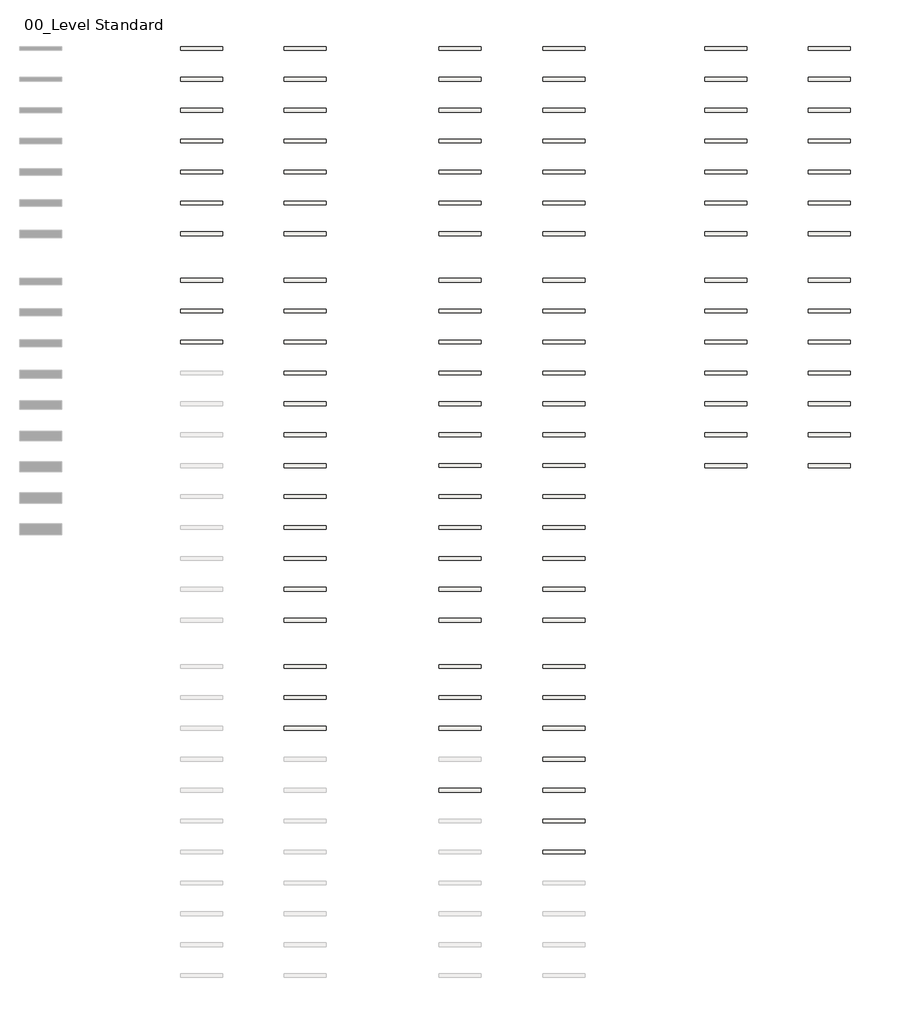
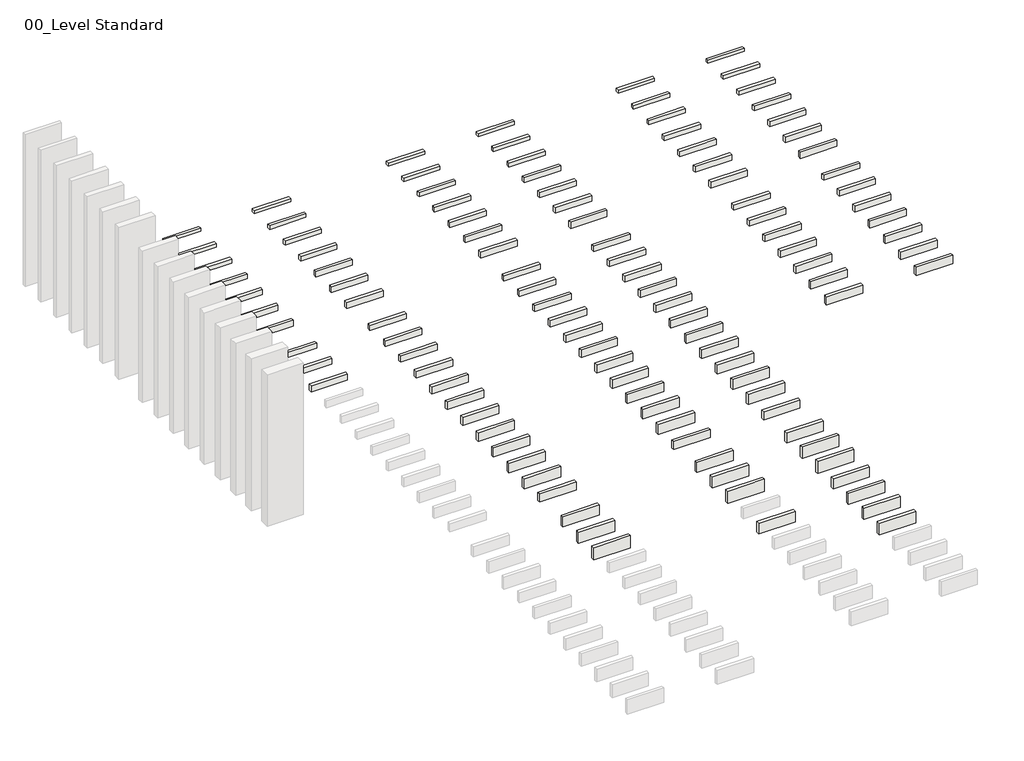
# One storey, part 2 of 2: 60 slabs, 49 roofs.
"""IFC4 building model written with IfcOpenShell, lengths in millimetres."""

from ifc_helpers import new_model, si_unit, frame, origin, origin_with_axes, place, context, project, spatial, polyline, outline, extrude, element, save

model = new_model("IFC4")

# Units and contexts
model_context = context("Model", 3, world=origin())
ifc_project = project(units=[si_unit("LENGTHUNIT", "METRE", prefix="MILLI")], contexts=[model_context])

# Site, building, storey
site = spatial("IfcSite", under=ifc_project)
building = spatial("IfcBuilding", under=site)
storey = spatial("IfcBuildingStorey", under=building, Name="00_Level Standard", Elevation=0.0)

# Roofs
placement = place(None, origin())
element("IfcRoof", 1, at=placement, inside=storey, context=model_context, shape_type="SweptSolid", body=[
    extrude(outline(polyline([(11196.5117268, 13246.5708866), (11876.5117268, 13246.5708866), (11876.5117268, 13186.5708866), (11196.5117268, 13186.5708866), (11196.5117268, 13246.5708866)])), origin_with_axes(), (0.0, 0.0, 1.0), 60.0),
])
element("IfcRoof", 2, at=placement, inside=storey, context=model_context, shape_type="SweptSolid", body=[
    extrude(outline(polyline([(11196.5117268, 12746.5708866), (11876.5117268, 12746.5708866), (11876.5117268, 12686.5708866), (11196.5117268, 12686.5708866), (11196.5117268, 12746.5708866)])), origin_with_axes(), (0.0, 0.0, 1.0), 70.0),
])
element("IfcRoof", 3, at=placement, inside=storey, context=model_context, shape_type="SweptSolid", body=[
    extrude(outline(polyline([(11196.5117268, 12246.5708866), (11876.5117268, 12246.5708866), (11876.5117268, 12186.5708866), (11196.5117268, 12186.5708866), (11196.5117268, 12246.5708866)])), origin_with_axes(), (0.0, 0.0, 1.0), 80.0),
])
element("IfcRoof", 4, at=placement, inside=storey, context=model_context, shape_type="SweptSolid", body=[
    extrude(outline(polyline([(11196.5117268, 11746.5708866), (11876.5117268, 11746.5708866), (11876.5117268, 11686.5708866), (11196.5117268, 11686.5708866), (11196.5117268, 11746.5708866)])), origin_with_axes(), (0.0, 0.0, 1.0), 90.0),
])
element("IfcRoof", 5, at=placement, inside=storey, context=model_context, shape_type="SweptSolid", body=[
    extrude(outline(polyline([(11196.5117268, 11246.5708866), (11876.5117268, 11246.5708866), (11876.5117268, 11186.5708866), (11196.5117268, 11186.5708866), (11196.5117268, 11246.5708866)])), origin_with_axes(), (0.0, 0.0, 1.0), 100.0),
])
element("IfcRoof", 6, at=placement, inside=storey, context=model_context, shape_type="SweptSolid", body=[
    extrude(outline(polyline([(11196.5117268, 10746.5708866), (11876.5117268, 10746.5708866), (11876.5117268, 10686.5708866), (11196.5117268, 10686.5708866), (11196.5117268, 10746.5708866)])), origin_with_axes(), (0.0, 0.0, 1.0), 110.0),
])
element("IfcRoof", 7, at=placement, inside=storey, context=model_context, shape_type="SweptSolid", body=[
    extrude(outline(polyline([(11196.5117268, 10246.5708866), (11876.5117268, 10246.5708866), (11876.5117268, 10186.5708866), (11196.5117268, 10186.5708866), (11196.5117268, 10246.5708866)])), origin_with_axes(), (0.0, 0.0, 1.0), 120.0),
])
element("IfcRoof", 8, at=placement, inside=storey, context=model_context, shape_type="SweptSolid", body=[
    extrude(outline(polyline([(11196.5117268, 9496.5463096), (11876.5117268, 9496.5463096), (11876.5117268, 9436.5463096), (11196.5117268, 9436.5463096), (11196.5117268, 9496.5463096)])), origin_with_axes(), (0.0, 0.0, 1.0), 100.0),
])
element("IfcRoof", 9, at=placement, inside=storey, context=model_context, shape_type="SweptSolid", body=[
    extrude(outline(polyline([(11196.5117268, 8996.5463096), (11876.5117268, 8996.5463096), (11876.5117268, 8936.5463096), (11196.5117268, 8936.5463096), (11196.5117268, 8996.5463096)])), origin_with_axes(), (0.0, 0.0, 1.0), 110.0),
])
element("IfcRoof", 10, at=placement, inside=storey, context=model_context, shape_type="SweptSolid", body=[
    extrude(outline(polyline([(11196.5117268, 8496.5463096), (11876.5117268, 8496.5463096), (11876.5117268, 8436.5463096), (11196.5117268, 8436.5463096), (11196.5117268, 8496.5463096)])), origin_with_axes(), (0.0, 0.0, 1.0), 120.0),
])
element("IfcRoof", 11, at=placement, inside=storey, context=model_context, shape_type="SweptSolid", body=[
    extrude(outline(polyline([(11196.5117268, 7996.5463096), (11876.5117268, 7996.5463096), (11876.5117268, 7936.5463096), (11196.5117268, 7936.5463096), (11196.5117268, 7996.5463096)])), origin_with_axes(), (0.0, 0.0, 1.0), 130.0),
])
element("IfcRoof", 12, at=placement, inside=storey, context=model_context, shape_type="SweptSolid", body=[
    extrude(outline(polyline([(11196.5117268, 7496.5463096), (11876.5117268, 7496.5463096), (11876.5117268, 7436.5463096), (11196.5117268, 7436.5463096), (11196.5117268, 7496.5463096)])), origin_with_axes(), (0.0, 0.0, 1.0), 140.0),
])
element("IfcRoof", 13, at=placement, inside=storey, context=model_context, shape_type="SweptSolid", body=[
    extrude(outline(polyline([(11196.5117268, 6996.5463096), (11876.5117268, 6996.5463096), (11876.5117268, 6936.5463096), (11196.5117268, 6936.5463096), (11196.5117268, 6996.5463096)])), origin_with_axes(), (0.0, 0.0, 1.0), 150.0),
])
element("IfcRoof", 14, at=placement, inside=storey, context=model_context, shape_type="SweptSolid", body=[
    extrude(outline(polyline([(11196.5117268, 6496.5463096), (11876.5117268, 6496.5463096), (11876.5117268, 6436.5463096), (11196.5117268, 6436.5463096), (11196.5117268, 6496.5463096)])), origin_with_axes(), (0.0, 0.0, 1.0), 160.0),
])
element("IfcRoof", 15, at=placement, inside=storey, context=model_context, shape_type="SweptSolid", body=[
    extrude(outline(polyline([(11196.5117268, 5996.5463096), (11876.5117268, 5996.5463096), (11876.5117268, 5936.5463096), (11196.5117268, 5936.5463096), (11196.5117268, 5996.5463096)])), origin_with_axes(), (0.0, 0.0, 1.0), 170.0),
])
element("IfcRoof", 16, at=placement, inside=storey, context=model_context, shape_type="SweptSolid", body=[
    extrude(outline(polyline([(11196.5117268, 5496.5463096), (11876.5117268, 5496.5463096), (11876.5117268, 5436.5463096), (11196.5117268, 5436.5463096), (11196.5117268, 5496.5463096)])), origin_with_axes(), (0.0, 0.0, 1.0), 180.0),
])
element("IfcRoof", 17, at=placement, inside=storey, context=model_context, shape_type="SweptSolid", body=[
    extrude(outline(polyline([(11196.5117268, 4996.5463096), (11876.5117268, 4996.5463096), (11876.5117268, 4936.5463096), (11196.5117268, 4936.5463096), (11196.5117268, 4996.5463096)])), origin_with_axes(), (0.0, 0.0, 1.0), 190.0),
])
element("IfcRoof", 18, at=placement, inside=storey, context=model_context, shape_type="SweptSolid", body=[
    extrude(outline(polyline([(11196.5117268, 4496.5463096), (11876.5117268, 4496.5463096), (11876.5117268, 4436.5463096), (11196.5117268, 4436.5463096), (11196.5117268, 4496.5463096)])), origin_with_axes(), (0.0, 0.0, 1.0), 200.0),
])
element("IfcRoof", 19, at=placement, inside=storey, context=model_context, shape_type="SweptSolid", body=[
    extrude(outline(polyline([(11196.5117268, 3996.5463096), (11876.5117268, 3996.5463096), (11876.5117268, 3936.5463096), (11196.5117268, 3936.5463096), (11196.5117268, 3996.5463096)])), origin_with_axes(), (0.0, 0.0, 1.0), 160.0),
])
element("IfcRoof", 20, at=placement, inside=storey, context=model_context, shape_type="SweptSolid", body=[
    extrude(outline(polyline([(11196.5117268, 3246.5217326), (11876.5117268, 3246.5217326), (11876.5117268, 3186.5217326), (11196.5117268, 3186.5217326), (11196.5117268, 3246.5217326)])), origin_with_axes(), (0.0, 0.0, 1.0), 200.0),
])
element("IfcRoof", 21, at=placement, inside=storey, context=model_context, shape_type="SweptSolid", body=[
    extrude(outline(polyline([(11196.5117268, 2746.5217326), (11876.5117268, 2746.5217326), (11876.5117268, 2686.5217326), (11196.5117268, 2686.5217326), (11196.5117268, 2746.5217326)])), origin_with_axes(), (0.0, 0.0, 1.0), 220.0),
])
element("IfcRoof", 22, at=placement, inside=storey, context=model_context, shape_type="SweptSolid", body=[
    extrude(outline(polyline([(11196.5117268, 2246.5217326), (11876.5117268, 2246.5217326), (11876.5117268, 2186.5217326), (11196.5117268, 2186.5217326), (11196.5117268, 2246.5217326)])), origin_with_axes(), (0.0, 0.0, 1.0), 240.0),
])
element("IfcRoof", 23, at=placement, inside=storey, context=model_context, shape_type="SweptSolid", body=[
    extrude(outline(polyline([(11196.5117268, 1246.5217326), (11876.5117268, 1246.5217326), (11876.5117268, 1186.5217326), (11196.5117268, 1186.5217326), (11196.5117268, 1246.5217326)])), origin_with_axes(), (0.0, 0.0, 1.0), 210.0),
])
element("IfcRoof", 24, at=placement, inside=storey, context=model_context, shape_type="SweptSolid", body=[
    extrude(outline(polyline([(12876.5117268, 13246.5708866), (13556.5117268, 13246.5708866), (13556.5117268, 13186.5708866), (12876.5117268, 13186.5708866), (12876.5117268, 13246.5708866)])), origin_with_axes(), (0.0, 0.0, 1.0), 60.0),
])
element("IfcRoof", 25, at=placement, inside=storey, context=model_context, shape_type="SweptSolid", body=[
    extrude(outline(polyline([(12876.5117268, 12746.5708866), (13556.5117268, 12746.5708866), (13556.5117268, 12686.5708866), (12876.5117268, 12686.5708866), (12876.5117268, 12746.5708866)])), origin_with_axes(), (0.0, 0.0, 1.0), 70.0),
])
element("IfcRoof", 26, at=placement, inside=storey, context=model_context, shape_type="SweptSolid", body=[
    extrude(outline(polyline([(12876.5117268, 12246.5708866), (13556.5117268, 12246.5708866), (13556.5117268, 12186.5708866), (12876.5117268, 12186.5708866), (12876.5117268, 12246.5708866)])), origin_with_axes(), (0.0, 0.0, 1.0), 80.0),
])
element("IfcRoof", 27, at=placement, inside=storey, context=model_context, shape_type="SweptSolid", body=[
    extrude(outline(polyline([(12876.5117268, 11746.5708866), (13556.5117268, 11746.5708866), (13556.5117268, 11686.5708866), (12876.5117268, 11686.5708866), (12876.5117268, 11746.5708866)])), origin_with_axes(), (0.0, 0.0, 1.0), 90.0),
])
element("IfcRoof", 28, at=placement, inside=storey, context=model_context, shape_type="SweptSolid", body=[
    extrude(outline(polyline([(12876.5117268, 11246.5708866), (13556.5117268, 11246.5708866), (13556.5117268, 11186.5708866), (12876.5117268, 11186.5708866), (12876.5117268, 11246.5708866)])), origin_with_axes(), (0.0, 0.0, 1.0), 100.0),
])
element("IfcRoof", 29, at=placement, inside=storey, context=model_context, shape_type="SweptSolid", body=[
    extrude(outline(polyline([(12876.5117268, 10746.5708866), (13556.5117268, 10746.5708866), (13556.5117268, 10686.5708866), (12876.5117268, 10686.5708866), (12876.5117268, 10746.5708866)])), origin_with_axes(), (0.0, 0.0, 1.0), 110.0),
])
element("IfcRoof", 30, at=placement, inside=storey, context=model_context, shape_type="SweptSolid", body=[
    extrude(outline(polyline([(12876.5117268, 10246.5708866), (13556.5117268, 10246.5708866), (13556.5117268, 10186.5708866), (12876.5117268, 10186.5708866), (12876.5117268, 10246.5708866)])), origin_with_axes(), (0.0, 0.0, 1.0), 120.0),
])
element("IfcRoof", 31, at=placement, inside=storey, context=model_context, shape_type="SweptSolid", body=[
    extrude(outline(polyline([(12876.5117268, 9496.5463096), (13556.5117268, 9496.5463096), (13556.5117268, 9436.5463096), (12876.5117268, 9436.5463096), (12876.5117268, 9496.5463096)])), origin_with_axes(), (0.0, 0.0, 1.0), 100.0),
])
element("IfcRoof", 32, at=placement, inside=storey, context=model_context, shape_type="SweptSolid", body=[
    extrude(outline(polyline([(12876.5117268, 8996.5463096), (13556.5117268, 8996.5463096), (13556.5117268, 8936.5463096), (12876.5117268, 8936.5463096), (12876.5117268, 8996.5463096)])), origin_with_axes(), (0.0, 0.0, 1.0), 110.0),
])
element("IfcRoof", 33, at=placement, inside=storey, context=model_context, shape_type="SweptSolid", body=[
    extrude(outline(polyline([(12876.5117268, 8496.5463096), (13556.5117268, 8496.5463096), (13556.5117268, 8436.5463096), (12876.5117268, 8436.5463096), (12876.5117268, 8496.5463096)])), origin_with_axes(), (0.0, 0.0, 1.0), 120.0),
])
element("IfcRoof", 34, at=placement, inside=storey, context=model_context, shape_type="SweptSolid", body=[
    extrude(outline(polyline([(12876.5117268, 7996.5463096), (13556.5117268, 7996.5463096), (13556.5117268, 7936.5463096), (12876.5117268, 7936.5463096), (12876.5117268, 7996.5463096)])), origin_with_axes(), (0.0, 0.0, 1.0), 130.0),
])
element("IfcRoof", 35, at=placement, inside=storey, context=model_context, shape_type="SweptSolid", body=[
    extrude(outline(polyline([(12876.5117268, 7496.5463096), (13556.5117268, 7496.5463096), (13556.5117268, 7436.5463096), (12876.5117268, 7436.5463096), (12876.5117268, 7496.5463096)])), origin_with_axes(), (0.0, 0.0, 1.0), 140.0),
])
element("IfcRoof", 36, at=placement, inside=storey, context=model_context, shape_type="SweptSolid", body=[
    extrude(outline(polyline([(12876.5117268, 6996.5463096), (13556.5117268, 6996.5463096), (13556.5117268, 6936.5463096), (12876.5117268, 6936.5463096), (12876.5117268, 6996.5463096)])), origin_with_axes(), (0.0, 0.0, 1.0), 150.0),
])
element("IfcRoof", 37, at=placement, inside=storey, context=model_context, shape_type="SweptSolid", body=[
    extrude(outline(polyline([(12876.5117268, 6496.5463096), (13556.5117268, 6496.5463096), (13556.5117268, 6436.5463096), (12876.5117268, 6436.5463096), (12876.5117268, 6496.5463096)])), origin_with_axes(), (0.0, 0.0, 1.0), 160.0),
])
element("IfcRoof", 38, at=placement, inside=storey, context=model_context, shape_type="SweptSolid", body=[
    extrude(outline(polyline([(12876.5117268, 5996.5463096), (13556.5117268, 5996.5463096), (13556.5117268, 5936.5463096), (12876.5117268, 5936.5463096), (12876.5117268, 5996.5463096)])), origin_with_axes(), (0.0, 0.0, 1.0), 170.0),
])
element("IfcRoof", 39, at=placement, inside=storey, context=model_context, shape_type="SweptSolid", body=[
    extrude(outline(polyline([(12876.5117268, 5496.5463096), (13556.5117268, 5496.5463096), (13556.5117268, 5436.5463096), (12876.5117268, 5436.5463096), (12876.5117268, 5496.5463096)])), origin_with_axes(), (0.0, 0.0, 1.0), 180.0),
])
element("IfcRoof", 40, at=placement, inside=storey, context=model_context, shape_type="SweptSolid", body=[
    extrude(outline(polyline([(12876.5117268, 4996.5463096), (13556.5117268, 4996.5463096), (13556.5117268, 4936.5463096), (12876.5117268, 4936.5463096), (12876.5117268, 4996.5463096)])), origin_with_axes(), (0.0, 0.0, 1.0), 190.0),
])
element("IfcRoof", 41, at=placement, inside=storey, context=model_context, shape_type="SweptSolid", body=[
    extrude(outline(polyline([(12876.5117268, 4496.5463096), (13556.5117268, 4496.5463096), (13556.5117268, 4436.5463096), (12876.5117268, 4436.5463096), (12876.5117268, 4496.5463096)])), origin_with_axes(), (0.0, 0.0, 1.0), 200.0),
])
element("IfcRoof", 42, at=placement, inside=storey, context=model_context, shape_type="SweptSolid", body=[
    extrude(outline(polyline([(12876.5117268, 3996.5463096), (13556.5117268, 3996.5463096), (13556.5117268, 3936.5463096), (12876.5117268, 3936.5463096), (12876.5117268, 3996.5463096)])), origin_with_axes(), (0.0, 0.0, 1.0), 160.0),
])
element("IfcRoof", 43, at=placement, inside=storey, context=model_context, shape_type="SweptSolid", body=[
    extrude(outline(polyline([(12876.5117268, 3246.5217326), (13556.5117268, 3246.5217326), (13556.5117268, 3186.5217326), (12876.5117268, 3186.5217326), (12876.5117268, 3246.5217326)])), origin_with_axes(), (0.0, 0.0, 1.0), 200.0),
])
element("IfcRoof", 44, at=placement, inside=storey, context=model_context, shape_type="SweptSolid", body=[
    extrude(outline(polyline([(12876.5117268, 2746.5217326), (13556.5117268, 2746.5217326), (13556.5117268, 2686.5217326), (12876.5117268, 2686.5217326), (12876.5117268, 2746.5217326)])), origin_with_axes(), (0.0, 0.0, 1.0), 220.0),
])
element("IfcRoof", 45, at=placement, inside=storey, context=model_context, shape_type="SweptSolid", body=[
    extrude(outline(polyline([(12876.5117268, 2246.5217326), (13556.5117268, 2246.5217326), (13556.5117268, 2186.5217326), (12876.5117268, 2186.5217326), (12876.5117268, 2246.5217326)])), origin_with_axes(), (0.0, 0.0, 1.0), 240.0),
])
element("IfcRoof", 46, at=placement, inside=storey, context=model_context, shape_type="SweptSolid", body=[
    extrude(outline(polyline([(12876.5117268, 1746.5217326), (13556.5117268, 1746.5217326), (13556.5117268, 1686.5217326), (12876.5117268, 1686.5217326), (12876.5117268, 1746.5217326)])), origin_with_axes(), (0.0, 0.0, 1.0), 200.0),
])
element("IfcRoof", 47, at=placement, inside=storey, context=model_context, shape_type="SweptSolid", body=[
    extrude(outline(polyline([(12876.5117268, 1246.5217326), (13556.5117268, 1246.5217326), (13556.5117268, 1186.5217326), (12876.5117268, 1186.5217326), (12876.5117268, 1246.5217326)])), origin_with_axes(), (0.0, 0.0, 1.0), 210.0),
])
element("IfcRoof", 48, at=placement, inside=storey, context=model_context, shape_type="SweptSolid", body=[
    extrude(outline(polyline([(12876.5117268, 746.5217326), (13556.5117268, 746.5217326), (13556.5117268, 686.5217326), (12876.5117268, 686.5217326), (12876.5117268, 746.5217326)])), origin_with_axes(), (0.0, 0.0, 1.0), 220.0),
])
element("IfcRoof", 49, at=placement, inside=storey, context=model_context, shape_type="SweptSolid", body=[
    extrude(outline(polyline([(12876.5117268, 246.5217326), (13556.5117268, 246.5217326), (13556.5117268, 186.5217326), (12876.5117268, 186.5217326), (12876.5117268, 246.5217326)])), origin_with_axes(), (0.0, 0.0, 1.0), 230.0),
])

# Slabs
element("IfcSlab", 50, at=placement, inside=storey, context=model_context, shape_type="SweptSolid", body=[
    extrude(outline(polyline([(7010.9873688, 13246.5708866), (7690.9873688, 13246.5708866), (7690.9873688, 13186.5708866), (7010.9873688, 13186.5708866), (7010.9873688, 13246.5708866)])), frame((0.0, 0.0, -60.0), z_axis=(0.0, 0.0, 1.0), x_axis=(1.0, 0.0, 0.0)), (0.0, 0.0, 1.0), 60.0),
])
element("IfcSlab", 51, at=placement, inside=storey, context=model_context, shape_type="SweptSolid", body=[
    extrude(outline(polyline([(7010.9873688, 12746.5708866), (7690.9873688, 12746.5708866), (7690.9873688, 12686.5708866), (7010.9873688, 12686.5708866), (7010.9873688, 12746.5708866)])), frame((0.0, 0.0, -70.0), z_axis=(0.0, 0.0, 1.0), x_axis=(1.0, 0.0, 0.0)), (0.0, 0.0, 1.0), 70.0),
])
element("IfcSlab", 52, at=placement, inside=storey, context=model_context, shape_type="SweptSolid", body=[
    extrude(outline(polyline([(7010.9873688, 12246.5708866), (7690.9873688, 12246.5708866), (7690.9873688, 12186.5708866), (7010.9873688, 12186.5708866), (7010.9873688, 12246.5708866)])), frame((0.0, 0.0, -80.0), z_axis=(0.0, 0.0, 1.0), x_axis=(1.0, 0.0, 0.0)), (0.0, 0.0, 1.0), 80.0),
])
element("IfcSlab", 53, at=placement, inside=storey, context=model_context, shape_type="SweptSolid", body=[
    extrude(outline(polyline([(7010.9873688, 11746.5708866), (7690.9873688, 11746.5708866), (7690.9873688, 11686.5708866), (7010.9873688, 11686.5708866), (7010.9873688, 11746.5708866)])), frame((0.0, 0.0, -90.0), z_axis=(0.0, 0.0, 1.0), x_axis=(1.0, 0.0, 0.0)), (0.0, 0.0, 1.0), 90.0),
])
element("IfcSlab", 54, at=placement, inside=storey, context=model_context, shape_type="SweptSolid", body=[
    extrude(outline(polyline([(7010.9873688, 11246.5708866), (7690.9873688, 11246.5708866), (7690.9873688, 11186.5708866), (7010.9873688, 11186.5708866), (7010.9873688, 11246.5708866)])), frame((0.0, 0.0, -100.0), z_axis=(0.0, 0.0, 1.0), x_axis=(1.0, 0.0, 0.0)), (0.0, 0.0, 1.0), 100.0),
])
element("IfcSlab", 55, at=placement, inside=storey, context=model_context, shape_type="SweptSolid", body=[
    extrude(outline(polyline([(7010.9873688, 10746.5708866), (7690.9873688, 10746.5708866), (7690.9873688, 10686.5708866), (7010.9873688, 10686.5708866), (7010.9873688, 10746.5708866)])), frame((0.0, 0.0, -110.0), z_axis=(0.0, 0.0, 1.0), x_axis=(1.0, 0.0, 0.0)), (0.0, 0.0, 1.0), 110.0),
])
element("IfcSlab", 56, at=placement, inside=storey, context=model_context, shape_type="SweptSolid", body=[
    extrude(outline(polyline([(7010.9873688, 10246.5708866), (7690.9873688, 10246.5708866), (7690.9873688, 10186.5708866), (7010.9873688, 10186.5708866), (7010.9873688, 10246.5708866)])), frame((0.0, 0.0, -120.0), z_axis=(0.0, 0.0, 1.0), x_axis=(1.0, 0.0, 0.0)), (0.0, 0.0, 1.0), 120.0),
])
element("IfcSlab", 57, at=placement, inside=storey, context=model_context, shape_type="SweptSolid", body=[
    extrude(outline(polyline([(7010.9873688, 9496.5463096), (7690.9873688, 9496.5463096), (7690.9873688, 9436.5463096), (7010.9873688, 9436.5463096), (7010.9873688, 9496.5463096)])), frame((0.0, 0.0, -100.0), z_axis=(0.0, 0.0, 1.0), x_axis=(1.0, 0.0, 0.0)), (0.0, 0.0, 1.0), 100.0),
])
element("IfcSlab", 58, at=placement, inside=storey, context=model_context, shape_type="SweptSolid", body=[
    extrude(outline(polyline([(7010.9873688, 8996.5463096), (7690.9873688, 8996.5463096), (7690.9873688, 8936.5463096), (7010.9873688, 8936.5463096), (7010.9873688, 8996.5463096)])), frame((0.0, 0.0, -110.0), z_axis=(0.0, 0.0, 1.0), x_axis=(1.0, 0.0, 0.0)), (0.0, 0.0, 1.0), 110.0),
])
element("IfcSlab", 59, at=placement, inside=storey, context=model_context, shape_type="SweptSolid", body=[
    extrude(outline(polyline([(7010.9873688, 8496.5463096), (7690.9873688, 8496.5463096), (7690.9873688, 8436.5463096), (7010.9873688, 8436.5463096), (7010.9873688, 8496.5463096)])), frame((0.0, 0.0, -120.0), z_axis=(0.0, 0.0, 1.0), x_axis=(1.0, 0.0, 0.0)), (0.0, 0.0, 1.0), 120.0),
])
element("IfcSlab", 60, at=placement, inside=storey, context=model_context, shape_type="SweptSolid", body=[
    extrude(outline(polyline([(8690.9873688, 13246.5708866), (9370.9873688, 13246.5708866), (9370.9873688, 13186.5708866), (8690.9873688, 13186.5708866), (8690.9873688, 13246.5708866)])), frame((0.0, 0.0, -60.0), z_axis=(0.0, 0.0, 1.0), x_axis=(1.0, 0.0, 0.0)), (0.0, 0.0, 1.0), 60.0),
])
element("IfcSlab", 61, at=placement, inside=storey, context=model_context, shape_type="SweptSolid", body=[
    extrude(outline(polyline([(8690.9873688, 12746.5708866), (9370.9873688, 12746.5708866), (9370.9873688, 12686.5708866), (8690.9873688, 12686.5708866), (8690.9873688, 12746.5708866)])), frame((0.0, 0.0, -70.0), z_axis=(0.0, 0.0, 1.0), x_axis=(1.0, 0.0, 0.0)), (0.0, 0.0, 1.0), 70.0),
])
element("IfcSlab", 62, at=placement, inside=storey, context=model_context, shape_type="SweptSolid", body=[
    extrude(outline(polyline([(8690.9873688, 12246.5708866), (9370.9873688, 12246.5708866), (9370.9873688, 12186.5708866), (8690.9873688, 12186.5708866), (8690.9873688, 12246.5708866)])), frame((0.0, 0.0, -80.0), z_axis=(0.0, 0.0, 1.0), x_axis=(1.0, 0.0, 0.0)), (0.0, 0.0, 1.0), 80.0),
])
element("IfcSlab", 63, at=placement, inside=storey, context=model_context, shape_type="SweptSolid", body=[
    extrude(outline(polyline([(8690.9873688, 11746.5708866), (9370.9873688, 11746.5708866), (9370.9873688, 11686.5708866), (8690.9873688, 11686.5708866), (8690.9873688, 11746.5708866)])), frame((0.0, 0.0, -90.0), z_axis=(0.0, 0.0, 1.0), x_axis=(1.0, 0.0, 0.0)), (0.0, 0.0, 1.0), 90.0),
])
element("IfcSlab", 64, at=placement, inside=storey, context=model_context, shape_type="SweptSolid", body=[
    extrude(outline(polyline([(8690.9873688, 11246.5708866), (9370.9873688, 11246.5708866), (9370.9873688, 11186.5708866), (8690.9873688, 11186.5708866), (8690.9873688, 11246.5708866)])), frame((0.0, 0.0, -100.0), z_axis=(0.0, 0.0, 1.0), x_axis=(1.0, 0.0, 0.0)), (0.0, 0.0, 1.0), 100.0),
])
element("IfcSlab", 65, at=placement, inside=storey, context=model_context, shape_type="SweptSolid", body=[
    extrude(outline(polyline([(8690.9873688, 10746.5708866), (9370.9873688, 10746.5708866), (9370.9873688, 10686.5708866), (8690.9873688, 10686.5708866), (8690.9873688, 10746.5708866)])), frame((0.0, 0.0, -110.0), z_axis=(0.0, 0.0, 1.0), x_axis=(1.0, 0.0, 0.0)), (0.0, 0.0, 1.0), 110.0),
])
element("IfcSlab", 66, at=placement, inside=storey, context=model_context, shape_type="SweptSolid", body=[
    extrude(outline(polyline([(8690.9873688, 10246.5708866), (9370.9873688, 10246.5708866), (9370.9873688, 10186.5708866), (8690.9873688, 10186.5708866), (8690.9873688, 10246.5708866)])), frame((0.0, 0.0, -120.0), z_axis=(0.0, 0.0, 1.0), x_axis=(1.0, 0.0, 0.0)), (0.0, 0.0, 1.0), 120.0),
])
element("IfcSlab", 67, at=placement, inside=storey, context=model_context, shape_type="SweptSolid", body=[
    extrude(outline(polyline([(8690.9873688, 9496.5463096), (9370.9873688, 9496.5463096), (9370.9873688, 9436.5463096), (8690.9873688, 9436.5463096), (8690.9873688, 9496.5463096)])), frame((0.0, 0.0, -100.0), z_axis=(0.0, 0.0, 1.0), x_axis=(1.0, 0.0, 0.0)), (0.0, 0.0, 1.0), 100.0),
])
element("IfcSlab", 68, at=placement, inside=storey, context=model_context, shape_type="SweptSolid", body=[
    extrude(outline(polyline([(8690.9873688, 8996.5463096), (9370.9873688, 8996.5463096), (9370.9873688, 8936.5463096), (8690.9873688, 8936.5463096), (8690.9873688, 8996.5463096)])), frame((0.0, 0.0, -110.0), z_axis=(0.0, 0.0, 1.0), x_axis=(1.0, 0.0, 0.0)), (0.0, 0.0, 1.0), 110.0),
])
element("IfcSlab", 69, at=placement, inside=storey, context=model_context, shape_type="SweptSolid", body=[
    extrude(outline(polyline([(8690.9873688, 8496.5463096), (9370.9873688, 8496.5463096), (9370.9873688, 8436.5463096), (8690.9873688, 8436.5463096), (8690.9873688, 8496.5463096)])), frame((0.0, 0.0, -120.0), z_axis=(0.0, 0.0, 1.0), x_axis=(1.0, 0.0, 0.0)), (0.0, 0.0, 1.0), 120.0),
])
element("IfcSlab", 70, at=placement, inside=storey, context=model_context, shape_type="SweptSolid", body=[
    extrude(outline(polyline([(8690.9873688, 7996.5463096), (9370.9873688, 7996.5463096), (9370.9873688, 7936.5463096), (8690.9873688, 7936.5463096), (8690.9873688, 7996.5463096)])), frame((0.0, 0.0, -130.0), z_axis=(0.0, 0.0, 1.0), x_axis=(1.0, 0.0, 0.0)), (0.0, 0.0, 1.0), 130.0),
])
element("IfcSlab", 71, at=placement, inside=storey, context=model_context, shape_type="SweptSolid", body=[
    extrude(outline(polyline([(8690.9873688, 7496.5463096), (9370.9873688, 7496.5463096), (9370.9873688, 7436.5463096), (8690.9873688, 7436.5463096), (8690.9873688, 7496.5463096)])), frame((0.0, 0.0, -140.0), z_axis=(0.0, 0.0, 1.0), x_axis=(1.0, 0.0, 0.0)), (0.0, 0.0, 1.0), 140.0),
])
element("IfcSlab", 72, at=placement, inside=storey, context=model_context, shape_type="SweptSolid", body=[
    extrude(outline(polyline([(8690.9873688, 6996.5463096), (9370.9873688, 6996.5463096), (9370.9873688, 6936.5463096), (8690.9873688, 6936.5463096), (8690.9873688, 6996.5463096)])), frame((0.0, 0.0, -150.0), z_axis=(0.0, 0.0, 1.0), x_axis=(1.0, 0.0, 0.0)), (0.0, 0.0, 1.0), 150.0),
])
element("IfcSlab", 73, at=placement, inside=storey, context=model_context, shape_type="SweptSolid", body=[
    extrude(outline(polyline([(8690.9873688, 6496.5463096), (9370.9873688, 6496.5463096), (9370.9873688, 6436.5463096), (8690.9873688, 6436.5463096), (8690.9873688, 6496.5463096)])), frame((0.0, 0.0, -160.0), z_axis=(0.0, 0.0, 1.0), x_axis=(1.0, 0.0, 0.0)), (0.0, 0.0, 1.0), 160.0),
])
element("IfcSlab", 74, at=placement, inside=storey, context=model_context, shape_type="SweptSolid", body=[
    extrude(outline(polyline([(8690.9873688, 5996.5463096), (9370.9873688, 5996.5463096), (9370.9873688, 5936.5463096), (8690.9873688, 5936.5463096), (8690.9873688, 5996.5463096)])), frame((0.0, 0.0, -170.0), z_axis=(0.0, 0.0, 1.0), x_axis=(1.0, 0.0, 0.0)), (0.0, 0.0, 1.0), 170.0),
])
element("IfcSlab", 75, at=placement, inside=storey, context=model_context, shape_type="SweptSolid", body=[
    extrude(outline(polyline([(8690.9873688, 5496.5463096), (9370.9873688, 5496.5463096), (9370.9873688, 5436.5463096), (8690.9873688, 5436.5463096), (8690.9873688, 5496.5463096)])), frame((0.0, 0.0, -180.0), z_axis=(0.0, 0.0, 1.0), x_axis=(1.0, 0.0, 0.0)), (0.0, 0.0, 1.0), 180.0),
])
element("IfcSlab", 76, at=placement, inside=storey, context=model_context, shape_type="SweptSolid", body=[
    extrude(outline(polyline([(8690.9873688, 4996.5463096), (9370.9873688, 4996.5463096), (9370.9873688, 4936.5463096), (8690.9873688, 4936.5463096), (8690.9873688, 4996.5463096)])), frame((0.0, 0.0, -190.0), z_axis=(0.0, 0.0, 1.0), x_axis=(1.0, 0.0, 0.0)), (0.0, 0.0, 1.0), 190.0),
])
element("IfcSlab", 77, at=placement, inside=storey, context=model_context, shape_type="SweptSolid", body=[
    extrude(outline(polyline([(8690.9873688, 4496.5463096), (9370.9873688, 4496.5463096), (9370.9873688, 4436.5463096), (8690.9873688, 4436.5463096), (8690.9873688, 4496.5463096)])), frame((0.0, 0.0, -200.0), z_axis=(0.0, 0.0, 1.0), x_axis=(1.0, 0.0, 0.0)), (0.0, 0.0, 1.0), 200.0),
])
element("IfcSlab", 78, at=placement, inside=storey, context=model_context, shape_type="SweptSolid", body=[
    extrude(outline(polyline([(8690.9873688, 3996.5463096), (9370.9873688, 3996.5463096), (9370.9873688, 3936.5463096), (8690.9873688, 3936.5463096), (8690.9873688, 3996.5463096)])), frame((0.0, 0.0, -160.0), z_axis=(0.0, 0.0, 1.0), x_axis=(1.0, 0.0, 0.0)), (0.0, 0.0, 1.0), 160.0),
])
element("IfcSlab", 79, at=placement, inside=storey, context=model_context, shape_type="SweptSolid", body=[
    extrude(outline(polyline([(8690.9873688, 3246.5217326), (9370.9873688, 3246.5217326), (9370.9873688, 3186.5217326), (8690.9873688, 3186.5217326), (8690.9873688, 3246.5217326)])), frame((0.0, 0.0, -200.0), z_axis=(0.0, 0.0, 1.0), x_axis=(1.0, 0.0, 0.0)), (0.0, 0.0, 1.0), 200.0),
])
element("IfcSlab", 80, at=placement, inside=storey, context=model_context, shape_type="SweptSolid", body=[
    extrude(outline(polyline([(8690.9873688, 2746.5217326), (9370.9873688, 2746.5217326), (9370.9873688, 2686.5217326), (8690.9873688, 2686.5217326), (8690.9873688, 2746.5217326)])), frame((0.0, 0.0, -220.0), z_axis=(0.0, 0.0, 1.0), x_axis=(1.0, 0.0, 0.0)), (0.0, 0.0, 1.0), 220.0),
])
element("IfcSlab", 81, at=placement, inside=storey, context=model_context, shape_type="SweptSolid", body=[
    extrude(outline(polyline([(8690.9873688, 2246.5217326), (9370.9873688, 2246.5217326), (9370.9873688, 2186.5217326), (8690.9873688, 2186.5217326), (8690.9873688, 2246.5217326)])), frame((0.0, 0.0, -240.0), z_axis=(0.0, 0.0, 1.0), x_axis=(1.0, 0.0, 0.0)), (0.0, 0.0, 1.0), 240.0),
])
element("IfcSlab", 82, at=placement, inside=storey, context=model_context, shape_type="SweptSolid", body=[
    extrude(outline(polyline([(15494.9702105, 13246.5708866), (16174.9702105, 13246.5708866), (16174.9702105, 13186.5708866), (15494.9702105, 13186.5708866), (15494.9702105, 13246.5708866)])), frame((0.0, 0.0, -60.0), z_axis=(0.0, 0.0, 1.0), x_axis=(1.0, 0.0, 0.0)), (0.0, 0.0, 1.0), 60.0),
])
element("IfcSlab", 83, at=placement, inside=storey, context=model_context, shape_type="SweptSolid", body=[
    extrude(outline(polyline([(15494.9702105, 12746.5708866), (16174.9702105, 12746.5708866), (16174.9702105, 12686.5708866), (15494.9702105, 12686.5708866), (15494.9702105, 12746.5708866)])), frame((0.0, 0.0, -70.0), z_axis=(0.0, 0.0, 1.0), x_axis=(1.0, 0.0, 0.0)), (0.0, 0.0, 1.0), 70.0),
])
element("IfcSlab", 84, at=placement, inside=storey, context=model_context, shape_type="SweptSolid", body=[
    extrude(outline(polyline([(15494.9702105, 12246.5708866), (16174.9702105, 12246.5708866), (16174.9702105, 12186.5708866), (15494.9702105, 12186.5708866), (15494.9702105, 12246.5708866)])), frame((0.0, 0.0, -80.0), z_axis=(0.0, 0.0, 1.0), x_axis=(1.0, 0.0, 0.0)), (0.0, 0.0, 1.0), 80.0),
])
element("IfcSlab", 85, at=placement, inside=storey, context=model_context, shape_type="SweptSolid", body=[
    extrude(outline(polyline([(15494.9702105, 11746.5708866), (16174.9702105, 11746.5708866), (16174.9702105, 11686.5708866), (15494.9702105, 11686.5708866), (15494.9702105, 11746.5708866)])), frame((0.0, 0.0, -90.0), z_axis=(0.0, 0.0, 1.0), x_axis=(1.0, 0.0, 0.0)), (0.0, 0.0, 1.0), 90.0),
])
element("IfcSlab", 86, at=placement, inside=storey, context=model_context, shape_type="SweptSolid", body=[
    extrude(outline(polyline([(15494.9702105, 11246.5708866), (16174.9702105, 11246.5708866), (16174.9702105, 11186.5708866), (15494.9702105, 11186.5708866), (15494.9702105, 11246.5708866)])), frame((0.0, 0.0, -100.0), z_axis=(0.0, 0.0, 1.0), x_axis=(1.0, 0.0, 0.0)), (0.0, 0.0, 1.0), 100.0),
])
element("IfcSlab", 87, at=placement, inside=storey, context=model_context, shape_type="SweptSolid", body=[
    extrude(outline(polyline([(15494.9702105, 10746.5708866), (16174.9702105, 10746.5708866), (16174.9702105, 10686.5708866), (15494.9702105, 10686.5708866), (15494.9702105, 10746.5708866)])), frame((0.0, 0.0, -110.0), z_axis=(0.0, 0.0, 1.0), x_axis=(1.0, 0.0, 0.0)), (0.0, 0.0, 1.0), 110.0),
])
element("IfcSlab", 88, at=placement, inside=storey, context=model_context, shape_type="SweptSolid", body=[
    extrude(outline(polyline([(15494.9702105, 10246.5708866), (16174.9702105, 10246.5708866), (16174.9702105, 10186.5708866), (15494.9702105, 10186.5708866), (15494.9702105, 10246.5708866)])), frame((0.0, 0.0, -120.0), z_axis=(0.0, 0.0, 1.0), x_axis=(1.0, 0.0, 0.0)), (0.0, 0.0, 1.0), 120.0),
])
element("IfcSlab", 89, at=placement, inside=storey, context=model_context, shape_type="SweptSolid", body=[
    extrude(outline(polyline([(15494.9702105, 9496.5463096), (16174.9702105, 9496.5463096), (16174.9702105, 9436.5463096), (15494.9702105, 9436.5463096), (15494.9702105, 9496.5463096)])), frame((0.0, 0.0, -100.0), z_axis=(0.0, 0.0, 1.0), x_axis=(1.0, 0.0, 0.0)), (0.0, 0.0, 1.0), 100.0),
])
element("IfcSlab", 90, at=placement, inside=storey, context=model_context, shape_type="SweptSolid", body=[
    extrude(outline(polyline([(15494.9702105, 8996.5463096), (16174.9702105, 8996.5463096), (16174.9702105, 8936.5463096), (15494.9702105, 8936.5463096), (15494.9702105, 8996.5463096)])), frame((0.0, 0.0, -110.0), z_axis=(0.0, 0.0, 1.0), x_axis=(1.0, 0.0, 0.0)), (0.0, 0.0, 1.0), 110.0),
])
element("IfcSlab", 91, at=placement, inside=storey, context=model_context, shape_type="SweptSolid", body=[
    extrude(outline(polyline([(15494.9702105, 8496.5463096), (16174.9702105, 8496.5463096), (16174.9702105, 8436.5463096), (15494.9702105, 8436.5463096), (15494.9702105, 8496.5463096)])), frame((0.0, 0.0, -120.0), z_axis=(0.0, 0.0, 1.0), x_axis=(1.0, 0.0, 0.0)), (0.0, 0.0, 1.0), 120.0),
])
element("IfcSlab", 92, at=placement, inside=storey, context=model_context, shape_type="SweptSolid", body=[
    extrude(outline(polyline([(15494.9702105, 7996.5463096), (16174.9702105, 7996.5463096), (16174.9702105, 7936.5463096), (15494.9702105, 7936.5463096), (15494.9702105, 7996.5463096)])), frame((0.0, 0.0, -130.0), z_axis=(0.0, 0.0, 1.0), x_axis=(1.0, 0.0, 0.0)), (0.0, 0.0, 1.0), 130.0),
])
element("IfcSlab", 93, at=placement, inside=storey, context=model_context, shape_type="SweptSolid", body=[
    extrude(outline(polyline([(15494.9702105, 7496.5463096), (16174.9702105, 7496.5463096), (16174.9702105, 7436.5463096), (15494.9702105, 7436.5463096), (15494.9702105, 7496.5463096)])), frame((0.0, 0.0, -140.0), z_axis=(0.0, 0.0, 1.0), x_axis=(1.0, 0.0, 0.0)), (0.0, 0.0, 1.0), 140.0),
])
element("IfcSlab", 94, at=placement, inside=storey, context=model_context, shape_type="SweptSolid", body=[
    extrude(outline(polyline([(15494.9702105, 6996.5463096), (16174.9702105, 6996.5463096), (16174.9702105, 6936.5463096), (15494.9702105, 6936.5463096), (15494.9702105, 6996.5463096)])), frame((0.0, 0.0, -150.0), z_axis=(0.0, 0.0, 1.0), x_axis=(1.0, 0.0, 0.0)), (0.0, 0.0, 1.0), 150.0),
])
element("IfcSlab", 95, at=placement, inside=storey, context=model_context, shape_type="SweptSolid", body=[
    extrude(outline(polyline([(15494.9702105, 6496.5463096), (16174.9702105, 6496.5463096), (16174.9702105, 6436.5463096), (15494.9702105, 6436.5463096), (15494.9702105, 6496.5463096)])), frame((0.0, 0.0, -160.0), z_axis=(0.0, 0.0, 1.0), x_axis=(1.0, 0.0, 0.0)), (0.0, 0.0, 1.0), 160.0),
])
element("IfcSlab", 96, at=placement, inside=storey, context=model_context, shape_type="SweptSolid", body=[
    extrude(outline(polyline([(17174.9702105, 13246.5708866), (17854.9702105, 13246.5708866), (17854.9702105, 13186.5708866), (17174.9702105, 13186.5708866), (17174.9702105, 13246.5708866)])), frame((0.0, 0.0, -60.0), z_axis=(0.0, 0.0, 1.0), x_axis=(1.0, 0.0, 0.0)), (0.0, 0.0, 1.0), 60.0),
])
element("IfcSlab", 97, at=placement, inside=storey, context=model_context, shape_type="SweptSolid", body=[
    extrude(outline(polyline([(17174.9702105, 12746.5708866), (17854.9702105, 12746.5708866), (17854.9702105, 12686.5708866), (17174.9702105, 12686.5708866), (17174.9702105, 12746.5708866)])), frame((0.0, 0.0, -70.0), z_axis=(0.0, 0.0, 1.0), x_axis=(1.0, 0.0, 0.0)), (0.0, 0.0, 1.0), 70.0),
])
element("IfcSlab", 98, at=placement, inside=storey, context=model_context, shape_type="SweptSolid", body=[
    extrude(outline(polyline([(17174.9702105, 12246.5708866), (17854.9702105, 12246.5708866), (17854.9702105, 12186.5708866), (17174.9702105, 12186.5708866), (17174.9702105, 12246.5708866)])), frame((0.0, 0.0, -80.0), z_axis=(0.0, 0.0, 1.0), x_axis=(1.0, 0.0, 0.0)), (0.0, 0.0, 1.0), 80.0),
])
element("IfcSlab", 99, at=placement, inside=storey, context=model_context, shape_type="SweptSolid", body=[
    extrude(outline(polyline([(17174.9702105, 11746.5708866), (17854.9702105, 11746.5708866), (17854.9702105, 11686.5708866), (17174.9702105, 11686.5708866), (17174.9702105, 11746.5708866)])), frame((0.0, 0.0, -90.0), z_axis=(0.0, 0.0, 1.0), x_axis=(1.0, 0.0, 0.0)), (0.0, 0.0, 1.0), 90.0),
])
element("IfcSlab", 100, at=placement, inside=storey, context=model_context, shape_type="SweptSolid", body=[
    extrude(outline(polyline([(17174.9702105, 11246.5708866), (17854.9702105, 11246.5708866), (17854.9702105, 11186.5708866), (17174.9702105, 11186.5708866), (17174.9702105, 11246.5708866)])), frame((0.0, 0.0, -100.0), z_axis=(0.0, 0.0, 1.0), x_axis=(1.0, 0.0, 0.0)), (0.0, 0.0, 1.0), 100.0),
])
element("IfcSlab", 101, at=placement, inside=storey, context=model_context, shape_type="SweptSolid", body=[
    extrude(outline(polyline([(17174.9702105, 10746.5708866), (17854.9702105, 10746.5708866), (17854.9702105, 10686.5708866), (17174.9702105, 10686.5708866), (17174.9702105, 10746.5708866)])), frame((0.0, 0.0, -110.0), z_axis=(0.0, 0.0, 1.0), x_axis=(1.0, 0.0, 0.0)), (0.0, 0.0, 1.0), 110.0),
])
element("IfcSlab", 102, at=placement, inside=storey, context=model_context, shape_type="SweptSolid", body=[
    extrude(outline(polyline([(17174.9702105, 10246.5708866), (17854.9702105, 10246.5708866), (17854.9702105, 10186.5708866), (17174.9702105, 10186.5708866), (17174.9702105, 10246.5708866)])), frame((0.0, 0.0, -120.0), z_axis=(0.0, 0.0, 1.0), x_axis=(1.0, 0.0, 0.0)), (0.0, 0.0, 1.0), 120.0),
])
element("IfcSlab", 103, at=placement, inside=storey, context=model_context, shape_type="SweptSolid", body=[
    extrude(outline(polyline([(17174.9702105, 9496.5463096), (17854.9702105, 9496.5463096), (17854.9702105, 9436.5463096), (17174.9702105, 9436.5463096), (17174.9702105, 9496.5463096)])), frame((0.0, 0.0, -100.0), z_axis=(0.0, 0.0, 1.0), x_axis=(1.0, 0.0, 0.0)), (0.0, 0.0, 1.0), 100.0),
])
element("IfcSlab", 104, at=placement, inside=storey, context=model_context, shape_type="SweptSolid", body=[
    extrude(outline(polyline([(17174.9702105, 8996.5463096), (17854.9702105, 8996.5463096), (17854.9702105, 8936.5463096), (17174.9702105, 8936.5463096), (17174.9702105, 8996.5463096)])), frame((0.0, 0.0, -110.0), z_axis=(0.0, 0.0, 1.0), x_axis=(1.0, 0.0, 0.0)), (0.0, 0.0, 1.0), 110.0),
])
element("IfcSlab", 105, at=placement, inside=storey, context=model_context, shape_type="SweptSolid", body=[
    extrude(outline(polyline([(17174.9702105, 8496.5463096), (17854.9702105, 8496.5463096), (17854.9702105, 8436.5463096), (17174.9702105, 8436.5463096), (17174.9702105, 8496.5463096)])), frame((0.0, 0.0, -120.0), z_axis=(0.0, 0.0, 1.0), x_axis=(1.0, 0.0, 0.0)), (0.0, 0.0, 1.0), 120.0),
])
element("IfcSlab", 106, at=placement, inside=storey, context=model_context, shape_type="SweptSolid", body=[
    extrude(outline(polyline([(17174.9702105, 7996.5463096), (17854.9702105, 7996.5463096), (17854.9702105, 7936.5463096), (17174.9702105, 7936.5463096), (17174.9702105, 7996.5463096)])), frame((0.0, 0.0, -130.0), z_axis=(0.0, 0.0, 1.0), x_axis=(1.0, 0.0, 0.0)), (0.0, 0.0, 1.0), 130.0),
])
element("IfcSlab", 107, at=placement, inside=storey, context=model_context, shape_type="SweptSolid", body=[
    extrude(outline(polyline([(17174.9702105, 7496.5463096), (17854.9702105, 7496.5463096), (17854.9702105, 7436.5463096), (17174.9702105, 7436.5463096), (17174.9702105, 7496.5463096)])), frame((0.0, 0.0, -140.0), z_axis=(0.0, 0.0, 1.0), x_axis=(1.0, 0.0, 0.0)), (0.0, 0.0, 1.0), 140.0),
])
element("IfcSlab", 108, at=placement, inside=storey, context=model_context, shape_type="SweptSolid", body=[
    extrude(outline(polyline([(17174.9702105, 6996.5463096), (17854.9702105, 6996.5463096), (17854.9702105, 6936.5463096), (17174.9702105, 6936.5463096), (17174.9702105, 6996.5463096)])), frame((0.0, 0.0, -150.0), z_axis=(0.0, 0.0, 1.0), x_axis=(1.0, 0.0, 0.0)), (0.0, 0.0, 1.0), 150.0),
])
element("IfcSlab", 109, at=placement, inside=storey, context=model_context, shape_type="SweptSolid", body=[
    extrude(outline(polyline([(17174.9702105, 6496.5463096), (17854.9702105, 6496.5463096), (17854.9702105, 6436.5463096), (17174.9702105, 6436.5463096), (17174.9702105, 6496.5463096)])), frame((0.0, 0.0, -160.0), z_axis=(0.0, 0.0, 1.0), x_axis=(1.0, 0.0, 0.0)), (0.0, 0.0, 1.0), 160.0),
])

save(model, "model.ifc")
